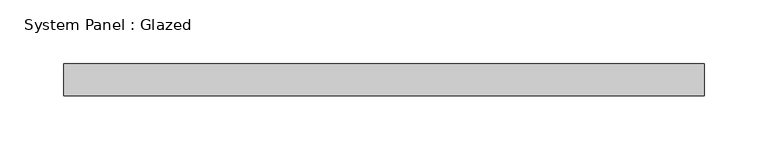
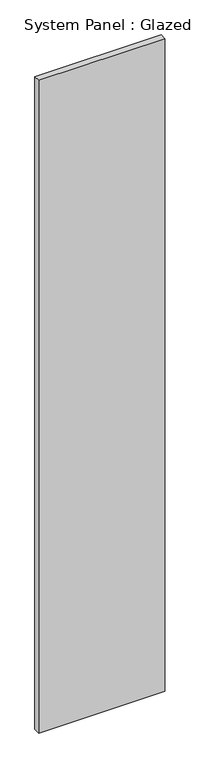
"""IFC4 building model written with IfcOpenShell, lengths in millimetres: plate geometry, System Panel : Glazed."""

import ifcopenshell
import ifcopenshell.guid

model = None  # the IFC model being written
_history = None  # IfcOwnerHistory: only IFC2X3 demands one
_inside = {}  # id of a spatial element -> (the spatial element, [elements in it])
_under = {}  # id of a project, library or spatial element -> (it, [spatial elements below it])
_declared = {}  # id of a project -> (the project, [libraries it declares])
_typed = {}  # id of a type object -> (the type object, [elements of that type])
_made_of = {}  # id of a material, layer set ... -> (it, [elements and type objects made of it])


def new_model(schema):
    """Start an empty IFC model of exactly this schema.

    Asked for "IFC4X3", IfcOpenShell would pick the latest addendum, in which some entities
    have other attributes; the version numbers below select the first issue.
    IFC2X3 requires an IfcOwnerHistory on every rooted entity: one is made here for all.
    """
    global model, _history
    if schema == "IFC4X3":
        model = ifcopenshell.file(schema_version=(4, 3, 0, 0))
    else:
        model = ifcopenshell.file(schema=schema)
    _inside.clear()
    _under.clear()
    _declared.clear()
    _typed.clear()
    _made_of.clear()
    _history = None
    if model.schema == "IFC2X3":
        org = make("IfcOrganization", Name="unknown")
        user = make(
            "IfcPersonAndOrganization",
            ThePerson=make("IfcPerson", FamilyName="unknown"),
            TheOrganization=org,
        )
        app = make(
            "IfcApplication",
            ApplicationDeveloper=org,
            Version="unknown",
            ApplicationFullName="unknown",
            ApplicationIdentifier="unknown",
        )
        _history = make(
            "IfcOwnerHistory",
            OwningUser=user,
            OwningApplication=app,
            ChangeAction="ADDED",
            CreationDate=0,
        )
    return model


def make(cls, **values):
    """One entity of the class cls with the attributes given. An attribute that is None is left unset."""
    return model.create_entity(
        cls, **{name: value for name, value in values.items() if value is not None}
    )


def rooted(cls, **values):
    """An entity with a GlobalId (a new one), such as an element, a storey or a relation."""
    return make(cls, GlobalId=ifcopenshell.guid.new(), OwnerHistory=_history, **values)


def si_unit(unit_type, name, prefix=None):
    """IfcSIUnit, for example si_unit("LENGTHUNIT", "METRE", prefix="MILLI")."""
    return make("IfcSIUnit", UnitType=unit_type, Prefix=prefix, Name=name)


def assignment(units):
    """IfcUnitAssignment: the units of a project."""
    return None if units is None else make("IfcUnitAssignment", Units=units)


def point(xyz):
    """IfcCartesianPoint."""
    return None if xyz is None else make("IfcCartesianPoint", Coordinates=xyz)


def direction(xyz):
    """IfcDirection."""
    return None if xyz is None else make("IfcDirection", DirectionRatios=xyz)


def frame(location, z_axis=None, x_axis=None):
    """IfcAxis2Placement3D, a coordinate frame: its origin and axes. An axis left out is left unset."""
    return make(
        "IfcAxis2Placement3D",
        Location=point(location),
        Axis=direction(z_axis),
        RefDirection=direction(x_axis),
    )


def origin():
    """The frame at (0, 0, 0) with its axes left unset."""
    return frame((0.0, 0.0, 0.0))


def origin_with_axes():
    """The frame at (0, 0, 0) with the z axis (0, 0, 1) and the x axis (1, 0, 0) written out."""
    return frame((0.0, 0.0, 0.0), z_axis=(0.0, 0.0, 1.0), x_axis=(1.0, 0.0, 0.0))


def place(relative_to, where):
    """IfcLocalPlacement: puts the frame where relative to a parent placement (None: the world)."""
    return make(
        "IfcLocalPlacement", PlacementRelTo=relative_to, RelativePlacement=where
    )


def context(
    kind, dimensions, precision=None, world=None, true_north=None, identifier=None
):
    """IfcGeometricRepresentationContext, for example the 3D "Model" context."""
    return make(
        "IfcGeometricRepresentationContext",
        ContextIdentifier=identifier,
        ContextType=kind,
        CoordinateSpaceDimension=dimensions,
        Precision=precision,
        WorldCoordinateSystem=world,
        TrueNorth=true_north,
    )


def project(units=None, contexts=None):
    """IfcProject with its units and contexts."""
    return rooted(
        "IfcProject",
        Name="project",
        RepresentationContexts=contexts,
        UnitsInContext=assignment(units),
    )


def spatial(cls, under=None, at=None, **own):
    """A site, building, storey or space (cls), placed at a placement, below another one or the project."""
    s = rooted(cls, ObjectPlacement=at, **own)
    if under is not None:
        _under.setdefault(under.id(), (under, []))[1].append(s)
    return s


def polyline(points):
    """IfcPolyline through the points."""
    return make("IfcPolyline", Points=[point(p) for p in points])


def outline(outer, holes=None, kind="AREA"):
    """IfcArbitraryClosedProfileDef: a profile drawn as a closed curve; with holes, ...WithVoids."""
    if holes is None:
        return make("IfcArbitraryClosedProfileDef", ProfileType=kind, OuterCurve=outer)
    return make(
        "IfcArbitraryProfileDefWithVoids",
        ProfileType=kind,
        OuterCurve=outer,
        InnerCurves=holes,
    )


def extrude(swept, where, along, depth):
    """IfcExtrudedAreaSolid: the profile swept, set in the frame where, extruded along a direction by depth."""
    return make(
        "IfcExtrudedAreaSolid",
        SweptArea=swept,
        Position=where,
        ExtrudedDirection=direction(along),
        Depth=depth,
    )


def shape(context_of_items, identifier, shape_type, items):
    """IfcShapeRepresentation: the items that make up one representation, for example the "Body"."""
    return make(
        "IfcShapeRepresentation",
        ContextOfItems=context_of_items,
        RepresentationIdentifier=identifier,
        RepresentationType=shape_type,
        Items=items,
    )


def source(mapping_origin, context_of_items, identifier, shape_type, items):
    """IfcRepresentationMap: a shape defined once, which mapped items show again and again."""
    return make(
        "IfcRepresentationMap",
        MappingOrigin=mapping_origin,
        MappedRepresentation=shape(context_of_items, identifier, shape_type, items),
    )


def transform(
    local_origin,
    x_axis=None,
    y_axis=None,
    z_axis=None,
    scale=None,
    scale2=None,
    scale3=None,
    uniform=True,
):
    """IfcCartesianTransformationOperator3D, or its non-uniform kind. x_axis, y_axis, z_axis: its Axis1, 2, 3."""
    if uniform:
        return make(
            "IfcCartesianTransformationOperator3D",
            Axis1=direction(x_axis),
            Axis2=direction(y_axis),
            LocalOrigin=point(local_origin),
            Scale=scale,
            Axis3=direction(z_axis),
        )
    return make(
        "IfcCartesianTransformationOperator3DnonUniform",
        Axis1=direction(x_axis),
        Axis2=direction(y_axis),
        LocalOrigin=point(local_origin),
        Scale=scale,
        Axis3=direction(z_axis),
        Scale2=scale2,
        Scale3=scale3,
    )


def mapped(mapping_source, mapping_target):
    """IfcMappedItem: shows the shape of a source again, moved by a transform."""
    return make(
        "IfcMappedItem", MappingSource=mapping_source, MappingTarget=mapping_target
    )


def made_of(thing, what):
    """Note that an element or type object is made of a material, layer set ...; save() writes the relation."""
    if what is not None:
        _made_of.setdefault(what.id(), (what, []))[1].append(thing)
    return thing


def element(
    cls,
    number,
    at=None,
    inside=None,
    cuts=None,
    type_object=None,
    material=None,
    context=None,
    identifier="Body",
    shape_type=None,
    held_by="IfcProductDefinitionShape",
    body=None,
    shapes=None,
    **own,
):
    """One element of the class cls, such as IfcWall. Its Tag is "e" and its number.

    at: its placement. inside: the storey or other place that contains it. cuts: it is an
    opening in that element (IfcRelVoidsElement). A single representation is given by context,
    identifier, shape_type and body (its items); several are given by shapes. held_by: the class
    of the entity that holds the representations. save() writes the other relations.
    """
    e = rooted(cls, Tag="e%d" % number, ObjectPlacement=at, **own)
    if body is not None:
        shapes = [shape(context, identifier, shape_type, body)]
    if shapes is not None:
        e.Representation = make(held_by, Representations=shapes)
    if inside is not None:
        _inside.setdefault(inside.id(), (inside, []))[1].append(e)
    if cuts is not None:
        rooted(
            "IfcRelVoidsElement", RelatingBuildingElement=cuts, RelatedOpeningElement=e
        )
    if type_object is not None:
        _typed.setdefault(type_object.id(), (type_object, []))[1].append(e)
    return made_of(e, material)


def aggregate(whole, parts):
    """IfcRelAggregates: a whole, such as a stair, and the parts it consists of."""
    return rooted("IfcRelAggregates", RelatingObject=whole, RelatedObjects=parts)


def save(model, path):
    """Write the relations noted so far, then the file.

    IfcRelAggregates (storeys below a building ...), IfcRelContainedInSpatialStructure (elements
    in a storey), IfcRelDefinesByType, IfcRelAssociatesMaterial and IfcRelDeclares: one each for
    every whole, place, type object, material and project.
    """
    for whole, parts in _under.values():
        aggregate(whole, parts)
    for where, things in _inside.values():
        rooted(
            "IfcRelContainedInSpatialStructure",
            RelatedElements=things,
            RelatingStructure=where,
        )
    for kind, things in _typed.values():
        rooted("IfcRelDefinesByType", RelatedObjects=things, RelatingType=kind)
    for what, things in _made_of.values():
        rooted("IfcRelAssociatesMaterial", RelatedObjects=things, RelatingMaterial=what)
    for by, libraries in _declared.values():
        rooted("IfcRelDeclares", RelatingContext=by, RelatedDefinitions=libraries)
    model.write(path)


def system_panel_glazed_48f4002f(model_context):
    return source(origin(), model_context, "Body", "SweptSolid", [
        extrude(outline(polyline([(251.5, -37.5), (-251.5, -37.5), (-251.5, -12.5), (251.5, -12.5), (251.5, -37.5)])), origin_with_axes(), (0.0, 0.0, 1.0), 2750.0),
    ])


if __name__ == "__main__":
    model = new_model("IFC4")
    model_context = context("Model", 3, world=origin())
    ifc_project = project(units=[si_unit("LENGTHUNIT", "METRE", prefix="MILLI")], contexts=[model_context])
    site = spatial("IfcSite", under=ifc_project)
    building = spatial("IfcBuilding", under=site)
    placement = place(None, origin())
    system_panel_glazed_shape = system_panel_glazed_48f4002f(model_context)
    element("IfcPlate", 1, ObjectType="System Panel : Glazed", at=placement, inside=building, context=model_context, shape_type="MappedRepresentation", body=[
        mapped(system_panel_glazed_shape, transform((0.0, 0.0, 0.0), x_axis=(1.0, 0.0, 0.0), y_axis=(0.0, 1.0, 0.0), z_axis=(0.0, 0.0, 1.0))),
    ])
    save(model, "model.ifc")
